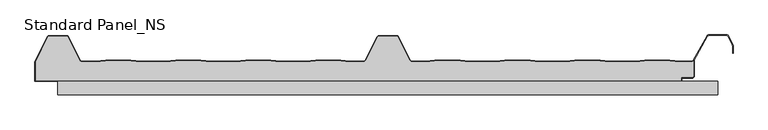
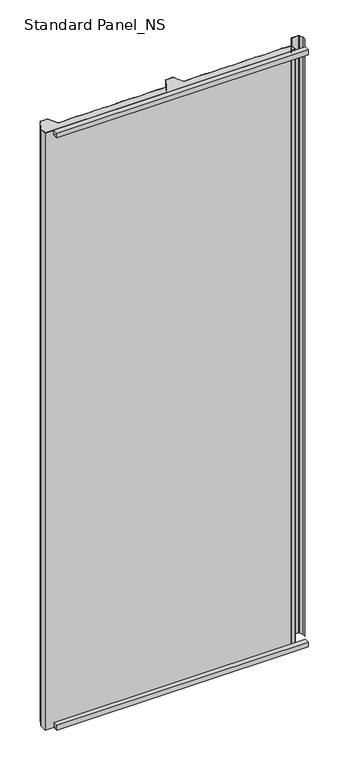
"""IFC4 building model written with IfcOpenShell, lengths in millimetres: proxy geometry, Standard Panel_NS."""

from ifc_helpers import new_model, si_unit, point, frame, frame_2d, origin, origin_with_axes, place, context, project, spatial, polyline, circle_curve, trimmed, segment, composite_curve, outline, extrude, source, transform, mapped, element, save


def standard_panel_ns_d25416b1(model_context):
    return source(origin(), model_context, "Body", "SweptSolid", [
        extrude(outline(polyline([(20.0, 0.0), (0.0, 0.0), (0.0, 20.0), (20.0, 20.0), (20.0, 0.0)]), holes=[polyline([(0.9, 19.1), (0.9, 0.9), (19.1, 0.9), (19.1, 19.1), (0.9, 19.1)])]), frame((-499.5000907, 0.0, 0.0), z_axis=(1.0, 0.0, 0.0), x_axis=(0.0, 1.0, 0.0)), (0.0, 0.0, 1.0), 999.5000907),
        extrude(outline(polyline([(20.0, 2512.4689053), (20.0, 2492.4689053), (0.0, 2492.4689053), (0.0, 2512.4689053), (20.0, 2512.4689053)]), holes=[polyline([(0.9, 2511.5689053), (0.9, 2493.3689053), (19.1, 2493.3689053), (19.1, 2511.5689053), (0.9, 2511.5689053)])]), frame((-500.0, 0.0, 0.0), z_axis=(1.0, 0.0, 0.0), x_axis=(0.0, 1.0, 0.0)), (0.0, 0.0, 1.0), 1000.0),
        extrude(outline(composite_curve([segment(trimmed(circle_curve(frame_2d((461.2333678, 27.9776976)), 2.1), [point((463.3333678, 27.9776976))], [point((461.2333678, 25.8776976))], False, "CARTESIAN"), True, "CONTINUOUS"), segment(polyline([(461.2333678, 25.8776976), (444.4044996, 25.8776976), (444.4044996, 20.8776976), (-533.8689812, 20.8776976), (-533.8689812, 49.987751), (-515.1468491, 87.2989838)]), True, "CONTINUOUS"), segment(trimmed(circle_curve(frame_2d((-513.1679785, 86.3376976)), 2.2), [point((-515.1468491, 87.2989838))], [point((-513.1679785, 88.5376976))], False, "CARTESIAN"), True, "CONTINUOUS"), segment(polyline([(-513.1679785, 88.5376976), (-486.83184, 88.5376976)]), True, "CONTINUOUS"), segment(trimmed(circle_curve(frame_2d((-486.83184, 86.3376976)), 2.2), [point((-486.83184, 88.5376976))], [point((-484.8632284, 87.3198221))], False, "CARTESIAN"), True, "CONTINUOUS"), segment(polyline([(-484.8632284, 87.3198221), (-466.9621881, 51.7014308)]), True, "CONTINUOUS"), segment(trimmed(circle_curve(frame_2d((-463.5629534, 53.4000196)), 3.8), [point((-466.9621881, 51.7014308))], [point((-463.5629534, 49.6000196))], True, "CARTESIAN"), True, "CONTINUOUS"), segment(polyline([(-463.5629534, 49.6000196), (-442.4071525, 49.6000196), (-427.5266141, 51.4), (-389.5037331, 51.4), (-374.6231947, 49.6000196), (-336.4071525, 49.6000196), (-321.5266141, 51.4), (-283.5037331, 51.4), (-268.6231947, 49.6000196), (-230.4071525, 49.6000196), (-215.5266141, 51.4), (-177.5037331, 51.4), (-162.6231947, 49.6000196), (-124.4071525, 49.6000196), (-109.5266141, 51.4), (-71.5037331, 51.4), (-56.6231947, 49.6000196), (-36.856799, 49.6000196)]), True, "CONTINUOUS"), segment(trimmed(circle_curve(frame_2d((-36.856799, 53.4000196)), 3.8), [point((-36.856799, 49.6000196))], [point((-33.4593215, 51.697919))], True, "CARTESIAN"), True, "CONTINUOUS"), segment(polyline([(-33.4593215, 51.697919), (-15.1166702, 87.3890619)]), True, "CONTINUOUS"), segment(trimmed(circle_curve(frame_2d((-13.1465337, 86.41)), 2.2), [point((-15.1166702, 87.3890619))], [point((-13.1465337, 88.61))], False, "CARTESIAN"), True, "CONTINUOUS"), segment(polyline([(-13.1465337, 88.61), (13.1431912, 88.61)]), True, "CONTINUOUS"), segment(trimmed(circle_curve(frame_2d((13.1431912, 86.41)), 2.2), [point((13.1431912, 88.61))], [point((15.1133281, 87.389061))], False, "CARTESIAN"), True, "CONTINUOUS"), segment(polyline([(15.1133281, 87.389061), (33.4515652, 51.7067576)]), True, "CONTINUOUS"), segment(trimmed(circle_curve(frame_2d((36.8490422, 53.4088594)), 3.8), [point((33.4515652, 51.7067576))], [point((36.8490422, 49.6088594))], True, "CARTESIAN"), True, "CONTINUOUS"), segment(polyline([(36.8490422, 49.6088594), (56.6929307, 49.6088594), (71.5003906, 51.4), (109.5232716, 51.4), (124.3424702, 49.6074394), (162.6811919, 49.6074394), (177.5003906, 51.4), (215.5232716, 51.4), (230.356647, 49.6057246), (268.6670151, 49.6057246), (283.5003906, 51.4), (321.5232716, 51.4), (336.3708239, 49.6040097), (374.6528383, 49.6040097), (389.5003906, 51.4), (427.5232716, 51.4), (442.3850007, 49.6022949), (460.2255768, 49.6022949)]), True, "CONTINUOUS"), segment(trimmed(circle_curve(frame_2d((460.1791882, 53.4020117)), 3.8), [point((460.2255768, 49.6022949))], [point((463.3333678, 51.2827781))], True, "CARTESIAN"), True, "CONTINUOUS"), segment(polyline([(463.3333678, 51.2827781), (463.3333678, 27.9776976)]), True, "CONTINUOUS")], self_intersect=False)), origin_with_axes(), (0.0, 0.0, 1.0), 2512.4689053),
        extrude(outline(composite_curve([segment(polyline([(-321.5748232, 52.2), (-283.455524, 52.2), (-268.5749856, 50.4000196), (-230.4553616, 50.4000196), (-215.5748232, 52.2), (-177.455524, 52.2), (-162.5749856, 50.4000196), (-124.4553616, 50.4000196), (-109.5748232, 52.2), (-71.455524, 52.2), (-56.5749856, 50.4000196), (-36.856799, 50.4000196)]), True, "CONTINUOUS"), segment(trimmed(circle_curve(frame_2d((-36.856799, 53.4000196)), 3.0), [point((-36.856799, 50.4000196))], [point((-34.1728476, 52.0597193))], True, "CARTESIAN"), True, "CONTINUOUS"), segment(polyline([(-34.1728476, 52.0597193), (-15.8304851, 87.7503003)]), True, "CONTINUOUS"), segment(trimmed(circle_curve(frame_2d((-13.1465337, 86.41)), 3.0), [point((-15.8304851, 87.7503003))], [point((-13.1465337, 89.41))], False, "CARTESIAN"), True, "CONTINUOUS"), segment(polyline([(-13.1465337, 89.41), (13.1431912, 89.41)]), True, "CONTINUOUS"), segment(trimmed(circle_curve(frame_2d((13.1431912, 86.41)), 3.0), [point((13.1431912, 89.41))], [point((15.8271426, 87.7503003))], False, "CARTESIAN"), True, "CONTINUOUS"), segment(polyline([(15.8271426, 87.7503003), (34.1650908, 52.0685591)]), True, "CONTINUOUS"), segment(trimmed(circle_curve(frame_2d((36.8490422, 53.4088594)), 3.0), [point((34.1650908, 52.0685591))], [point((36.8490422, 50.4088594))], True, "CARTESIAN"), True, "CONTINUOUS"), segment(polyline([(36.8490422, 50.4088594), (56.6447216, 50.4088594), (71.4521815, 52.2), (109.5714807, 52.2), (124.3906793, 50.4074394), (162.6329828, 50.4074394), (177.4521815, 52.2), (215.5714807, 52.2), (230.4048562, 50.4057246), (268.618806, 50.4057246), (283.4521815, 52.2), (321.5714807, 52.2), (336.419033, 50.4040097), (374.6046292, 50.4040097), (389.4521815, 52.2), (427.5714807, 52.2), (442.4332098, 50.4022949), (460.137971, 50.4022949)]), True, "CONTINUOUS"), segment(trimmed(circle_curve(frame_2d((460.1791882, 53.4020117)), 3.0), [point((460.137971, 50.4022949))], [point((462.8067156, 51.9542204))], True, "CARTESIAN"), True, "CONTINUOUS"), segment(polyline([(462.8067156, 51.9542204), (483.709141, 88.8490344)]), True, "CONTINUOUS"), segment(trimmed(circle_curve(frame_2d((486.3366684, 87.401243)), 3.0), [point((483.709141, 88.8490344))], [point((486.3366684, 90.401243))], False, "CARTESIAN"), True, "CONTINUOUS"), segment(polyline([(486.3366684, 90.401243), (513.6856739, 90.401243)]), True, "CONTINUOUS"), segment(trimmed(circle_curve(frame_2d((513.6856739, 87.401243)), 3.0), [point((513.6856739, 90.401243))], [point((516.3696253, 88.7415434))], False, "CARTESIAN"), True, "CONTINUOUS"), segment(polyline([(516.3696253, 88.7415434), (522.8988101, 75.6668507)]), True, "CONTINUOUS"), segment(trimmed(circle_curve(frame_2d((520.2148587, 74.3265504)), 3.0), [point((522.8988101, 75.6668507))], [point((523.2148587, 74.3265504))], False, "CARTESIAN"), True, "CONTINUOUS"), segment(polyline([(523.2148587, 74.3265504), (523.2148587, 62.8571101), (522.4148587, 62.8571101), (522.4148587, 74.3265504)]), True, "CONTINUOUS"), segment(trimmed(circle_curve(frame_2d((520.2148587, 74.3265504)), 2.2), [point((522.4148587, 74.3265504))], [point((522.1830897, 75.3094373))], True, "CARTESIAN"), True, "CONTINUOUS"), segment(polyline([(522.1830897, 75.3094373), (515.6539049, 88.3841299)]), True, "CONTINUOUS"), segment(trimmed(circle_curve(frame_2d((513.6856739, 87.401243)), 2.2), [point((515.6539049, 88.3841299))], [point((513.6856739, 89.601243))], True, "CARTESIAN"), True, "CONTINUOUS"), segment(polyline([(513.6856739, 89.601243), (486.3366684, 89.601243)]), True, "CONTINUOUS"), segment(trimmed(circle_curve(frame_2d((486.3366684, 87.401243)), 2.2), [point((486.3366684, 89.601243))], [point((484.4077107, 88.4591287))], True, "CARTESIAN"), True, "CONTINUOUS"), segment(polyline([(484.4077107, 88.4591287), (463.5049669, 51.5637527)]), True, "CONTINUOUS"), segment(trimmed(circle_curve(frame_2d((460.1791882, 53.4020117)), 3.8), [point((463.5049669, 51.5637527))], [point((460.1327996, 49.6022949))], False, "CARTESIAN"), True, "CONTINUOUS"), segment(polyline([(460.1327996, 49.6022949), (442.3850007, 49.6022949), (427.5232716, 51.4), (389.5003906, 51.4), (374.6528383, 49.6040097), (336.3708239, 49.6040097), (321.5232716, 51.4), (283.5003906, 51.4), (268.6670151, 49.6057246), (230.356647, 49.6057246), (215.5232716, 51.4), (177.5003906, 51.4), (162.6811919, 49.6074394), (124.3424702, 49.6074394), (109.5232716, 51.4), (71.5003906, 51.4), (56.6929307, 49.6088594), (36.8490422, 49.6088594)]), True, "CONTINUOUS"), segment(trimmed(circle_curve(frame_2d((36.8490422, 53.4088594)), 3.8), [point((36.8490422, 49.6088594))], [point((33.4515652, 51.7067576))], False, "CARTESIAN"), True, "CONTINUOUS"), segment(polyline([(33.4515652, 51.7067576), (15.1133281, 87.389061)]), True, "CONTINUOUS"), segment(trimmed(circle_curve(frame_2d((13.1431912, 86.41)), 2.2), [point((15.1133281, 87.389061))], [point((13.1431912, 88.61))], True, "CARTESIAN"), True, "CONTINUOUS"), segment(polyline([(13.1431912, 88.61), (-13.1465337, 88.61)]), True, "CONTINUOUS"), segment(trimmed(circle_curve(frame_2d((-13.1465337, 86.41)), 2.2), [point((-13.1465337, 88.61))], [point((-15.1166702, 87.3890619))], True, "CARTESIAN"), True, "CONTINUOUS"), segment(polyline([(-15.1166702, 87.3890619), (-33.4593215, 51.697919)]), True, "CONTINUOUS"), segment(trimmed(circle_curve(frame_2d((-36.856799, 53.4000196)), 3.8), [point((-33.4593215, 51.697919))], [point((-36.856799, 49.6000196))], False, "CARTESIAN"), True, "CONTINUOUS"), segment(polyline([(-36.856799, 49.6000196), (-56.6231947, 49.6000196), (-71.5037331, 51.4), (-109.5266141, 51.4), (-124.4071525, 49.6000196), (-162.6231947, 49.6000196), (-177.5037331, 51.4), (-215.5266141, 51.4), (-230.4071525, 49.6000196), (-268.6231947, 49.6000196), (-283.5037331, 51.4), (-321.5266141, 51.4), (-336.4071525, 49.6000196), (-374.6231947, 49.6000196), (-389.5037331, 51.4), (-427.5266141, 51.4), (-442.4071525, 49.6000196), (-463.5629534, 49.6000196)]), True, "CONTINUOUS"), segment(trimmed(circle_curve(frame_2d((-463.5629534, 53.4000196)), 3.8), [point((-463.5629534, 49.6000196))], [point((-466.9621881, 51.7014308))], False, "CARTESIAN"), True, "CONTINUOUS"), segment(polyline([(-466.9621881, 51.7014308), (-484.8632284, 87.3421244)]), True, "CONTINUOUS"), segment(trimmed(circle_curve(frame_2d((-486.83184, 86.36)), 2.2), [point((-484.8632284, 87.3421244))], [point((-486.83184, 88.56))], True, "CARTESIAN"), True, "CONTINUOUS"), segment(polyline([(-486.83184, 88.56), (-513.1679785, 88.56)]), True, "CONTINUOUS"), segment(trimmed(circle_curve(frame_2d((-513.1679785, 86.36)), 2.2), [point((-513.1679785, 88.56))], [point((-515.1468491, 87.3212862))], True, "CARTESIAN"), True, "CONTINUOUS"), segment(polyline([(-515.1468491, 87.3212862), (-533.8740229, 49.9776976), (-534.7689812, 49.9776976), (-515.8640556, 87.6757386)]), True, "CONTINUOUS"), segment(trimmed(circle_curve(frame_2d((-513.1679785, 86.36)), 3.0), [point((-515.8640556, 87.6757386))], [point((-513.1679785, 89.36))], False, "CARTESIAN"), True, "CONTINUOUS"), segment(polyline([(-513.1679785, 89.36), (-486.83184, 89.36)]), True, "CONTINUOUS"), segment(trimmed(circle_curve(frame_2d((-486.83184, 86.36)), 3.0), [point((-486.83184, 89.36))], [point((-484.1478886, 87.7003003))], False, "CARTESIAN"), True, "CONTINUOUS"), segment(polyline([(-484.1478886, 87.7003003), (-466.2469048, 52.0597193)]), True, "CONTINUOUS"), segment(trimmed(circle_curve(frame_2d((-463.5629534, 53.4000196)), 3.0), [point((-466.2469048, 52.0597193))], [point((-463.5629534, 50.4000196))], True, "CARTESIAN"), True, "CONTINUOUS"), segment(polyline([(-463.5629534, 50.4000196), (-442.4553616, 50.4000196), (-427.5748232, 52.2), (-389.455524, 52.2), (-374.5749856, 50.4000196), (-336.4553616, 50.4000196), (-321.5748232, 52.2)]), True, "CONTINUOUS")], self_intersect=False)), origin_with_axes(), (0.0, 0.0, 1.0), 2512.4689053),
        extrude(outline(composite_curve([segment(polyline([(-534.7689812, 49.9776976), (-533.8689812, 49.9776976), (-533.8689812, 20.9), (444.4044996, 20.9), (444.4044996, 25.9), (461.2333678, 25.9)]), True, "CONTINUOUS"), segment(trimmed(circle_curve(frame_2d((461.2333678, 28.0)), 2.1), [point((461.2333678, 25.9))], [point((463.3333678, 28.0))], True, "CARTESIAN"), True, "CONTINUOUS"), segment(polyline([(463.3333678, 28.0), (463.3333678, 51.2827781), (464.2333678, 52.8494512), (464.2333678, 28.0)]), True, "CONTINUOUS"), segment(trimmed(circle_curve(frame_2d((461.2333678, 28.0)), 3.0), [point((464.2333678, 28.0))], [point((461.2333678, 25.0))], False, "CARTESIAN"), True, "CONTINUOUS"), segment(polyline([(461.2333678, 25.0), (445.3044996, 25.0), (445.3044996, 20.0), (-534.7689812, 20.0), (-534.7689812, 49.9776976)]), True, "CONTINUOUS")], self_intersect=False)), origin_with_axes(), (0.0, 0.0, 1.0), 2512.4689053),
    ])


if __name__ == "__main__":
    model = new_model("IFC4")
    model_context = context("Model", 3, world=origin())
    ifc_project = project(units=[si_unit("LENGTHUNIT", "METRE", prefix="MILLI")], contexts=[model_context])
    site = spatial("IfcSite", under=ifc_project)
    building = spatial("IfcBuilding", under=site)
    placement = place(None, origin())
    standard_panel_ns_shape = standard_panel_ns_d25416b1(model_context)
    element("IfcBuildingElementProxy", 1, Name="Standard Panel_NS", ObjectType="Standard Panel_NS", at=placement, inside=building, context=model_context, shape_type="MappedRepresentation", body=[
        mapped(standard_panel_ns_shape, transform((0.0, 0.0, 0.0), x_axis=(1.0, 0.0, 0.0), y_axis=(0.0, 1.0, 0.0), z_axis=(0.0, 0.0, 1.0))),
    ])
    save(model, "model.ifc")
